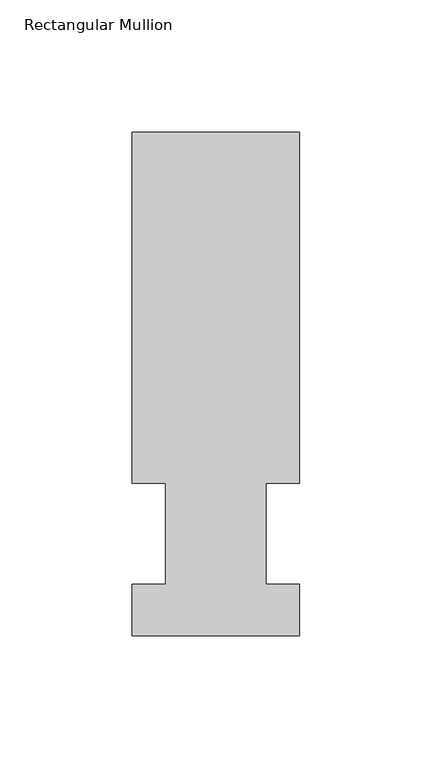
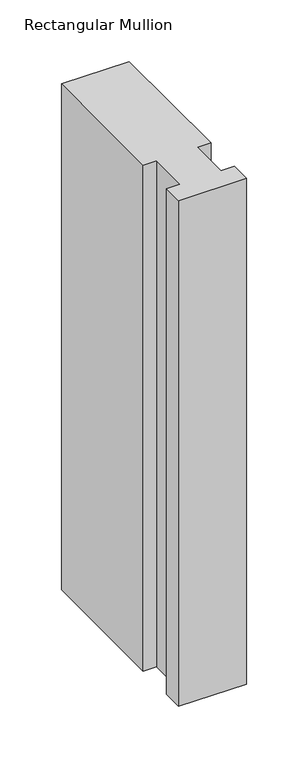
"""IFC4 building model written with IfcOpenShell, lengths in millimetres: member geometry, Rectangular Mullion."""

from ifc_helpers import new_model, si_unit, frame, origin, place, context, project, spatial, polyline, outline, extrude, source, transform, mapped, element, save


def rectangular_mullion_6ff5c5db(model_context):
    return source(origin(), model_context, "Body", "SweptSolid", [
        extrude(outline(polyline([(-63.5, 57.6460937), (-63.5, 190.5896938), (0.0, 190.5896938), (0.0, 57.6460937), (-12.6873, 57.6460937), (-12.6873, 19.5460938), (0.0, 19.5460938), (0.0, 0.0134938), (-63.5, 0.0134938), (-63.5, 19.5460938), (-50.8, 19.5460938), (-50.8, 57.6460937), (-63.5, 57.6460937)])), frame((0.0, 0.0, -501.6543756), z_axis=(0.0, 0.0, 1.0), x_axis=(1.0, 0.0, 0.0)), (0.0, 0.0, 1.0), 501.6543756),
    ])


if __name__ == "__main__":
    model = new_model("IFC4")
    model_context = context("Model", 3, world=origin())
    ifc_project = project(units=[si_unit("LENGTHUNIT", "METRE", prefix="MILLI")], contexts=[model_context])
    site = spatial("IfcSite", under=ifc_project)
    building = spatial("IfcBuilding", under=site)
    placement = place(None, origin())
    rectangular_mullion_shape = rectangular_mullion_6ff5c5db(model_context)
    element("IfcMember", 1, ObjectType="Rectangular Mullion", at=placement, inside=building, context=model_context, shape_type="MappedRepresentation", body=[
        mapped(rectangular_mullion_shape, transform((0.0, 0.0, 0.0), x_axis=(1.0, 0.0, 0.0), y_axis=(0.0, 1.0, 0.0), z_axis=(0.0, 0.0, 1.0))),
    ])
    save(model, "model.ifc")
